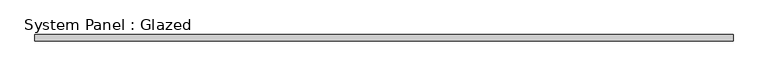
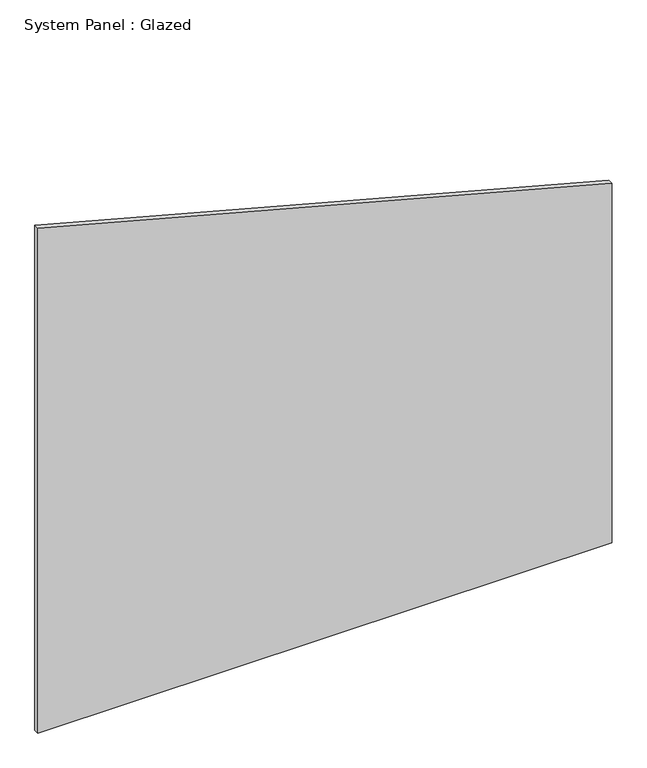
"""IFC4 building model written with IfcOpenShell, lengths in millimetres: plate geometry, System Panel : Glazed."""

from ifc_helpers import new_model, si_unit, frame, origin, place, context, project, spatial, polyline, outline, extrude, source, transform, mapped, element, save


def system_panel_glazed_8fb1670c(model_context):
    return source(origin(), model_context, "Body", "SweptSolid", [
        extrude(outline(polyline([(0.0, -1400.0), (0.0, 1400.0), (1852.5238927, 1400.0), (2602.7816315, -1400.0), (0.0, -1400.0)])), frame((0.0, -2.5, 0.0), z_axis=(0.0, 1.0, 0.0), x_axis=(0.0, 0.0, 1.0)), (0.0, 0.0, 1.0), 25.0),
    ])


if __name__ == "__main__":
    model = new_model("IFC4")
    model_context = context("Model", 3, world=origin())
    ifc_project = project(units=[si_unit("LENGTHUNIT", "METRE", prefix="MILLI")], contexts=[model_context])
    site = spatial("IfcSite", under=ifc_project)
    building = spatial("IfcBuilding", under=site)
    placement = place(None, origin())
    system_panel_glazed_shape = system_panel_glazed_8fb1670c(model_context)
    element("IfcPlate", 1, ObjectType="System Panel : Glazed", at=placement, inside=building, context=model_context, shape_type="MappedRepresentation", body=[
        mapped(system_panel_glazed_shape, transform((0.0, 0.0, 0.0), x_axis=(1.0, 0.0, 0.0), y_axis=(0.0, 1.0, 0.0), z_axis=(0.0, 0.0, 1.0))),
    ])
    save(model, "model.ifc")
